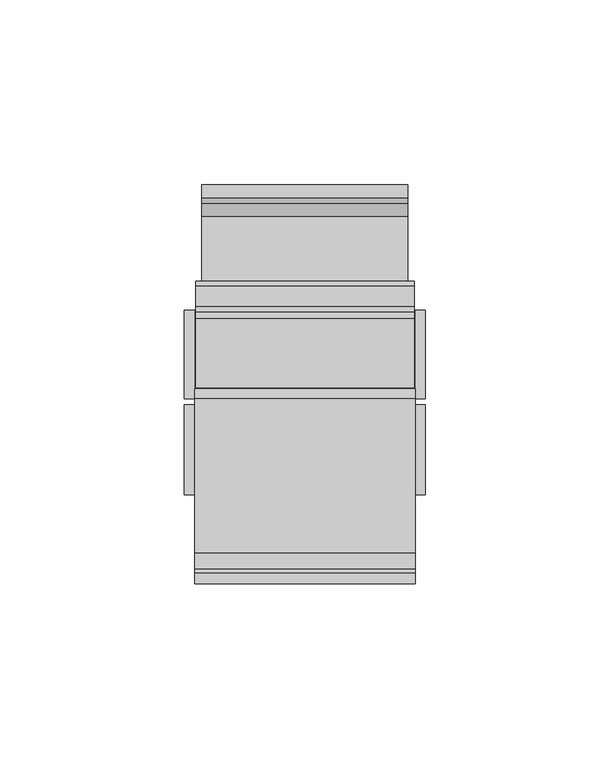
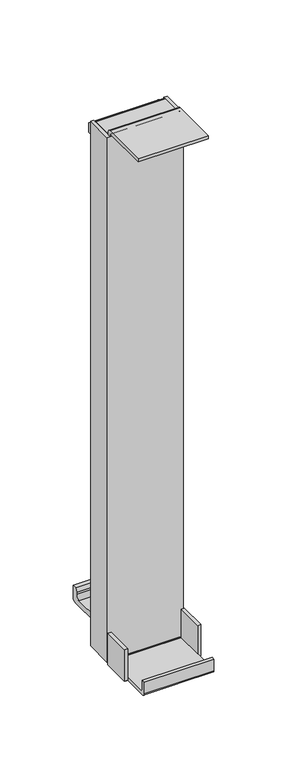
"""IFC4 building model written with IfcOpenShell, lengths in millimetres: furniture geometry."""

from ifc_helpers import new_model, si_unit, point, frame, frame_2d, origin, place, context, project, spatial, polyline, circle_curve, trimmed, segment, composite_curve, outline, extrude, source, transform, mapped, element, save
from ifc_brep_helpers import plane_surface, cylinder_surface, revolved_surface, advanced_brep


def furniture_530188da(model_context):
    return source(origin(), model_context, "Body", "SolidModel", [
        advanced_brep(
        [(117.3182024, -25.4680919, 70.9074633), (117.3182024, -22.6789527, 73.6966025), (117.3182024, -22.6789527, 75.9796101), (117.3182024, -25.4577121, 75.9796101), (117.3182024, -25.4577121, 74.6097662), (117.3182024, -26.3812602, 73.6862181), (117.3182024, -26.9817129, 73.6862181), (117.3182024, -48.0789512, 73.6862181), (117.3182024, -48.0789512, 70.9074633), (57.4707244, -25.4680919, 70.9074633), (57.4707244, -48.0789512, 70.9074633), (57.4707244, -48.0789512, 73.6862181), (57.4707244, -26.9817129, 73.6862181), (57.4707244, -26.3812602, 73.6862181), (57.4707244, -25.4577121, 74.6097662), (57.4707244, -25.4577121, 75.9796101), (57.4707244, -22.6789527, 75.9796101), (57.4707244, -22.6789527, 73.6966025), (57.4707244, -26.9817129, 102.1088201), (54.6919605, -26.9817129, 102.1088201), (54.6919605, -51.3554614, 102.1088201), (57.4707244, -51.3554614, 102.1088201), (117.3182024, -26.9817129, 102.1088201), (117.3182024, -51.3657101, 102.1088201), (120.0969663, -51.3657101, 102.1088201), (120.0969663, -26.9817129, 102.1088201), (57.4707244, -51.3554614, 73.6862181), (54.6919605, -51.3554614, 73.6862181), (54.6919605, -26.9817129, 73.6862181), (120.0969663, -26.9817129, 73.6862181), (120.0969663, -51.3657101, 73.6862181), (117.3182024, -51.3657101, 73.6862181), (117.3182024, -73.1110182, 73.6862181), (57.4707244, -73.1110182, 73.6862181), (57.4707244, -26.9817129, 76.4649729), (117.3182024, -26.9817129, 76.4649729), (57.4707244, -51.3554614, 76.4649729), (117.3182024, -51.3657101, 76.4649729), (117.3182024, -71.4694394, 76.4649729), (117.3182024, -72.7017124, 77.697246), (117.3182024, -72.7017124, 86.3862151), (117.3182024, -75.4804718, 86.3862151), (117.3182024, -75.4804718, 76.0556717), (57.4707244, -75.4804718, 76.0556717), (57.4707244, -75.4804718, 86.3862151), (57.4707244, -72.7017124, 86.3862151), (57.4707244, -72.7017124, 77.697246), (57.4707244, -71.4694394, 76.4649729)],
        [
            (0, 1, circle_curve(frame((117.3182024, -25.4680919, 73.6966025), z_axis=(1.0, 0.0, 0.0), x_axis=(0.0, -1.0, 0.0)), 2.7891392)),
            (1, 2),
            (2, 3),
            (3, 4),
            (4, 5, circle_curve(frame((117.3182024, -26.3812602, 74.6097662), z_axis=(-1.0, 0.0, 0.0), x_axis=(0.0, -1.0, 0.0)), 0.9235481)),
            (5, 6),
            (6, 7),
            (7, 8),
            (8, 0),
            (9, 10),
            (10, 11),
            (11, 12),
            (12, 13),
            (13, 14, circle_curve(frame((57.4707244, -26.3812602, 74.6097662), z_axis=(1.0, 0.0, 0.0), x_axis=(0.0, -1.0, 0.0)), 0.9235481)),
            (14, 15),
            (15, 16),
            (16, 17),
            (17, 9, circle_curve(frame((57.4707244, -25.4680919, 73.6966025), z_axis=(-1.0, 0.0, 0.0), x_axis=(0.0, -1.0, 0.0)), 2.7891392)),
            (8, 10),
            (9, 0),
            (7, 11),
            (5, 13),
            (12, 6),
            (4, 14),
            (3, 15),
            (2, 16),
            (1, 17),
            (18, 19),
            (19, 20),
            (20, 21),
            (21, 18),
            (22, 23),
            (23, 24),
            (24, 25),
            (25, 22),
            (26, 27),
            (27, 28),
            (28, 12),
            (6, 29),
            (29, 30),
            (30, 31),
            (31, 32),
            (32, 33),
            (33, 26),
            (18, 34),
            (34, 35),
            (35, 22),
            (25, 29),
            (28, 19),
            (27, 20),
            (26, 36),
            (36, 21),
            (36, 34),
            (35, 37),
            (37, 23),
            (37, 31),
            (30, 24),
            (38, 39, circle_curve(frame((117.3182024, -71.4694394, 77.697246), z_axis=(-1.0, 0.0, 0.0), x_axis=(0.0, -1.0, 0.0)), 1.2322731)),
            (39, 40),
            (40, 41),
            (41, 42),
            (42, 32, circle_curve(frame((117.3182024, -73.1110182, 76.0556717), z_axis=(1.0, 0.0, 0.0), x_axis=(0.0, -1.0, 0.0)), 2.3694536)),
            (37, 38),
            (33, 43, circle_curve(frame((57.4707244, -73.1110182, 76.0556717), z_axis=(-1.0, 0.0, 0.0), x_axis=(0.0, -1.0, 0.0)), 2.3694536)),
            (43, 44),
            (44, 45),
            (45, 46),
            (46, 47, circle_curve(frame((57.4707244, -71.4694394, 77.697246), z_axis=(1.0, 0.0, 0.0), x_axis=(0.0, -1.0, 0.0)), 1.2322731)),
            (47, 36),
            (47, 38),
            (46, 39),
            (45, 40),
            (44, 41),
            (43, 42),
        ],
        [
            plane_surface(frame((117.3182024, -28.2572311, 73.6966025), z_axis=(1.0, 0.0, 0.0), x_axis=(0.0, 0.0, -1.0))),
            plane_surface(frame((57.4707244, -28.2572311, 73.6966025), z_axis=(-1.0, 0.0, 0.0), x_axis=(0.0, 0.0, 1.0))),
            plane_surface(frame((117.3182024, -48.0789512, 70.9074633), z_axis=(0.0, 0.0, -1.0), x_axis=(-1.0, 0.0, 0.0))),
            plane_surface(frame((117.3182024, -48.0789512, 73.6862181), z_axis=(0.0, -1.0, 0.0), x_axis=(-1.0, 0.0, 0.0))),
            plane_surface(frame((117.3182024, -26.3812602, 73.6862181), z_axis=(0.0, 0.0, 1.0), x_axis=(-1.0, 0.0, 0.0))),
            revolved_surface(polyline([(57.4707244, -27.3048083, 74.6097662), (117.3182024, -27.3048083, 74.6097662)]), (57.4707244, -26.3812602, 74.6097662), (-1.0, 0.0, 0.0)),
            plane_surface(frame((117.3182024, -25.4577121, 75.9796101), z_axis=(0.0, -1.0, 0.0), x_axis=(-1.0, 0.0, 0.0))),
            plane_surface(frame((117.3182024, -22.6789527, 75.9796101), z_axis=(0.0, 0.0, 1.0), x_axis=(-1.0, 0.0, 0.0))),
            plane_surface(frame((117.3182024, -22.6789527, 73.6966025), z_axis=(0.0, 1.0, 0.0), x_axis=(-1.0, 0.0, 0.0))),
            cylinder_surface(frame((57.4707244, -25.4680919, 73.6966025), z_axis=(1.0, 0.0, 0.0), x_axis=(0.0, -1.0, 0.0)), 2.7891392),
            plane_surface(frame((54.6919605, -26.9817129, 102.1088201), z_axis=(0.0, 0.0, 1.0), x_axis=(-1.0, 0.0, 0.0))),
            plane_surface(frame((54.6919605, -26.9817129, 73.6862181), z_axis=(0.0, 0.0, -1.0), x_axis=(1.0, 0.0, 0.0))),
            plane_surface(frame((57.4707244, -26.9817129, 102.1088201), z_axis=(0.0, 1.0, 0.0), x_axis=(0.0, 0.0, -1.0))),
            plane_surface(frame((54.6919605, -26.9817129, 102.1088201), z_axis=(-1.0, 0.0, 0.0), x_axis=(0.0, 0.0, -1.0))),
            plane_surface(frame((54.6919605, -51.3554614, 102.1088201), z_axis=(0.0, -1.0, 0.0), x_axis=(0.0, 0.0, -1.0))),
            plane_surface(frame((57.4707244, -51.3554614, 102.1088201), z_axis=(1.0, 0.0, 0.0), x_axis=(0.0, 0.0, -1.0))),
            plane_surface(frame((117.3182024, -26.9817129, 102.1088201), z_axis=(-1.0, 0.0, 0.0), x_axis=(0.0, 0.0, -1.0))),
            plane_surface(frame((117.3182024, -51.3657101, 102.1088201), z_axis=(0.0, -1.0, 0.0), x_axis=(0.0, 0.0, -1.0))),
            plane_surface(frame((120.0969663, -51.3657101, 102.1088201), z_axis=(1.0, 0.0, 0.0), x_axis=(0.0, 0.0, -1.0))),
            plane_surface(frame((117.3182024, -71.1523112, 76.4649729), z_axis=(1.0, 0.0, 0.0), x_axis=(0.0, -1.0, 0.0))),
            plane_surface(frame((57.4707244, -71.1523112, 76.4649729), z_axis=(-1.0, 0.0, 0.0), x_axis=(0.0, 1.0, 0.0))),
            plane_surface(frame((117.3182024, -26.9817129, 76.4649729), z_axis=(0.0, 0.0, 1.0), x_axis=(-1.0, 0.0, 0.0))),
            revolved_surface(polyline([(57.4707244, -72.7017125, 77.697246), (117.3182024, -72.7017125, 77.697246)]), (57.4707244, -71.4694394, 77.697246), (-1.0, 0.0, 0.0)),
            plane_surface(frame((117.3182024, -72.7017124, 77.697246), z_axis=(0.0, 1.0, 0.0), x_axis=(-1.0, 0.0, 0.0))),
            plane_surface(frame((117.3182024, -72.7017124, 86.3862151), z_axis=(0.0, 0.0, 1.0), x_axis=(-1.0, 0.0, 0.0))),
            plane_surface(frame((117.3182024, -75.4804718, 86.3862151), z_axis=(0.0, -1.0, 0.0), x_axis=(-1.0, 0.0, 0.0))),
            cylinder_surface(frame((57.4707244, -73.1110182, 76.0556717), z_axis=(1.0, 0.0, 0.0), x_axis=(0.0, -1.0, 0.0)), 2.3694536),
        ],
        [
            (0, [[1, 2, 3, 4, 5, 6, 7, 8, 9]]),
            (1, [[10, 11, 12, 13, 14, 15, 16, 17, 18]]),
            (2, [[-9, 19, -10, 20]]),
            (3, [[-8, 21, -11, -19]]),
            (4, [[22, -13, 23, -6]]),
            (5, [[-5, 24, -14, -22]]),
            (6, [[-4, 25, -15, -24]]),
            (7, [[-3, 26, -16, -25]]),
            (8, [[-2, 27, -17, -26]]),
            (9, [[-1, -20, -18, -27]]),
            (10, [[28, 29, 30, 31]]),
            (10, [[32, 33, 34, 35]]),
            (11, [[36, 37, 38, -12, -21, -7, 39, 40, 41, 42, 43, 44]]),
            (12, [[-28, 45, 46, 47, -35, 48, -39, -23, -38, 49]]),
            (13, [[-29, -49, -37, 50]]),
            (14, [[-30, -50, -36, 51, 52]]),
            (15, [[-31, -52, 53, -45]]),
            (16, [[-32, -47, 54, 55]]),
            (17, [[-33, -55, 56, -41, 57]]),
            (18, [[-34, -57, -40, -48]]),
            (19, [[58, 59, 60, 61, 62, -42, -56, 63]]),
            (20, [[64, 65, 66, 67, 68, 69, -51, -44]]),
            (21, [[-46, -53, -69, 70, -63, -54]]),
            (22, [[-58, -70, -68, 71]]),
            (23, [[-59, -71, -67, 72]]),
            (24, [[-60, -72, -66, 73]]),
            (25, [[-61, -73, -65, 74]]),
            (26, [[-62, -74, -64, -43]]),
        ],
    ),
        extrude(outline(composite_curve([segment(trimmed(circle_curve(frame_2d((-25.4680919, 551.6708035)), 2.7891392), [point((-25.4680919, 554.4599427))], [point((-22.6789527, 551.6708035))], False, "CARTESIAN"), True, "CONTINUOUS"), segment(polyline([(-22.6789527, 551.6708035), (-22.6789527, 549.3877959), (-25.4577121, 549.3877959), (-25.4577121, 550.7576398)]), True, "CONTINUOUS"), segment(trimmed(circle_curve(frame_2d((-26.3812602, 550.7576398)), 0.9235481), [point((-25.4577121, 550.7576398))], [point((-26.3812602, 551.6811879))], True, "CARTESIAN"), True, "CONTINUOUS"), segment(polyline([(-26.3812602, 551.6811879), (-67.1289512, 551.6811879), (-67.1289512, 554.4599427), (-25.4680919, 554.4599427)]), True, "CONTINUOUS")], self_intersect=False)), frame((57.4707244, 0.0, 0.0), z_axis=(1.0, 0.0, 0.0), x_axis=(0.0, 1.0, 0.0)), (0.0, 0.0, 1.0), 59.847478),
        extrude(outline(composite_curve([segment(polyline([(-22.4812336, 533.7668017), (-22.4812336, 549.3877959), (-3.5993794, 549.3877959)]), True, "CONTINUOUS"), segment(trimmed(circle_curve(frame_2d((-3.5993794, 547.6702507)), 1.7175452), [point((-3.5993794, 549.3877959))], [point((-1.8818342, 547.6702507))], False, "CARTESIAN"), True, "CONTINUOUS"), segment(polyline([(-1.8818342, 547.6702507), (-1.8818342, 544.4887502)]), True, "CONTINUOUS"), segment(trimmed(circle_curve(frame_2d((-0.3292752, 544.4887502)), 1.552559), [point((-1.8818342, 544.4887502))], [point((-0.3292752, 542.9361912))], True, "CARTESIAN"), True, "CONTINUOUS"), segment(polyline([(-0.3292752, 542.9361912), (5.2539469, 542.9361912)]), True, "CONTINUOUS"), segment(trimmed(circle_curve(frame_2d((5.2539469, 541.7661723)), 1.1700189), [point((5.2539469, 542.9361912))], [point((6.4239657, 541.7661723))], False, "CARTESIAN"), True, "CONTINUOUS"), segment(polyline([(6.4239657, 541.7661723), (6.4239657, 533.7668017), (4.2649658, 533.7668017), (1.6106557, 538.3641955), (-4.256724, 538.3641955), (-6.911034, 533.7668017), (-22.4812336, 533.7668017)]), True, "CONTINUOUS")], self_intersect=False)), frame((57.7399622, 0.0, 0.0), z_axis=(1.0, 0.0, 0.0), x_axis=(0.0, 1.0, 0.0)), (0.0, 0.0, 1.0), 59.3089979),
        extrude(outline(composite_curve([segment(polyline([(-22.4807385, 492.0157891), (-22.4807385, 531.7159822), (-6.3009383, 531.7159822), (-3.5577384, 536.4657831), (0.3792617, 536.4657831), (0.3792617, 523.7657861), (-15.6752011, 507.7113193)]), True, "CONTINUOUS"), segment(trimmed(circle_curve(frame_2d((-10.9574947, 502.9936141)), 6.6718434), [point((-15.6752011, 507.7113193))], [point((-17.6293382, 502.9936141))], True, "CARTESIAN"), True, "CONTINUOUS"), segment(polyline([(-17.6293382, 502.9936141), (-17.6293382, 492.0157891), (-22.4807385, 492.0157891)]), True, "CONTINUOUS")], self_intersect=False)), frame((61.9944627, 0.0, 0.0), z_axis=(1.0, 0.0, 0.0), x_axis=(0.0, 1.0, 0.0)), (0.0, 0.0, 1.0), 50.799997),
        extrude(outline(composite_curve([segment(polyline([(-22.4807385, 147.4181547), (-17.6293382, 147.4181547), (-17.6293382, 136.4403297)]), True, "CONTINUOUS"), segment(trimmed(circle_curve(frame_2d((-10.9574947, 136.4403297)), 6.6718434), [point((-17.6293382, 136.4403297))], [point((-15.6752011, 131.7226246))], True, "CARTESIAN"), True, "CONTINUOUS"), segment(polyline([(-15.6752011, 131.7226246), (0.3792617, 115.6681578), (0.3792617, 102.9681608), (-3.5577384, 102.9681608), (-6.3009383, 107.7179617), (-22.4807385, 107.7179617), (-22.4807385, 147.4181547)]), True, "CONTINUOUS")], self_intersect=False)), frame((61.9944627, 0.0, 0.0), z_axis=(1.0, 0.0, 0.0), x_axis=(0.0, 1.0, 0.0)), (0.0, 0.0, 1.0), 50.799997),
        extrude(outline(composite_curve([segment(polyline([(-22.4799755, 107.5536004), (-6.3509767, 107.5536004), (-1.4676325, 99.0953957), (24.1216436, 99.0953957)]), True, "CONTINUOUS"), segment(trimmed(circle_curve(frame_2d((24.1216436, 102.6587765)), 3.5633808), [point((24.1216436, 99.0953957))], [point((27.6850243, 102.6587765))], True, "CARTESIAN"), True, "CONTINUOUS"), segment(polyline([(27.6850243, 102.6587765), (27.6850243, 104.3785943), (29.2090229, 107.5536004), (32.765024, 107.5536004), (32.765024, 97.3322211)]), True, "CONTINUOUS"), segment(trimmed(circle_curve(frame_2d((29.2703983, 97.3322211)), 3.4946258), [point((32.765024, 97.3322211))], [point((29.2703983, 93.8375953))], False, "CARTESIAN"), True, "CONTINUOUS"), segment(polyline([(29.2703983, 93.8375953), (0.2784235, 93.8375953), (0.2784235, 88.5797949), (-3.2775766, 88.5797949), (-3.2775766, 93.8375953), (-16.2315765, 93.8375953), (-16.2315765, 88.5797949), (-22.4799755, 88.5797949), (-22.4799755, 90.1037934), (-19.7875776, 90.1037934), (-19.7875776, 106.0295928), (-22.4799755, 106.0295928), (-22.4799755, 107.5536004)]), True, "CONTINUOUS")], self_intersect=False)), frame((59.4544605, 0.0, 0.0), z_axis=(1.0, 0.0, 0.0), x_axis=(0.0, 1.0, 0.0)), (0.0, 0.0, 1.0), 55.8800018),
        extrude(outline(polyline([(54.6919605, -1.3277121), (57.4707244, -1.3277121), (57.4707244, -22.6789527), (117.3182024, -22.6789527), (117.3182024, -1.3277121), (120.0969663, -1.3277121), (120.0969663, -25.4577121), (54.6919605, -25.4577121), (54.6919605, -1.3277121)])), frame((0.0, 0.0, 75.2356148), z_axis=(0.0, 0.0, 1.0), x_axis=(1.0, 0.0, 0.0)), (0.0, 0.0, 1.0), 474.1521811),
    ])


if __name__ == "__main__":
    model = new_model("IFC4")
    model_context = context("Model", 3, world=origin())
    ifc_project = project(units=[si_unit("LENGTHUNIT", "METRE", prefix="MILLI")], contexts=[model_context])
    site = spatial("IfcSite", under=ifc_project)
    building = spatial("IfcBuilding", under=site)
    placement = place(None, origin())
    furniture_shape = furniture_530188da(model_context)
    element("IfcFurniture", 1, at=placement, inside=building, context=model_context, shape_type="MappedRepresentation", body=[
        mapped(furniture_shape, transform((0.0, 0.0, 0.0), x_axis=(1.0, 0.0, 0.0), y_axis=(0.0, 1.0, 0.0), z_axis=(0.0, 0.0, 1.0))),
    ])
    save(model, "model.ifc")
